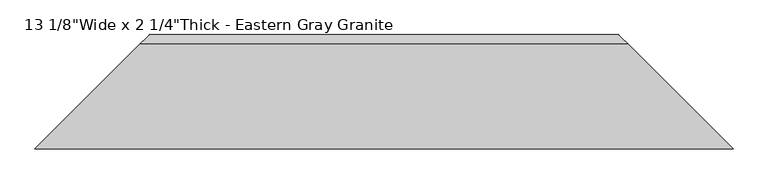
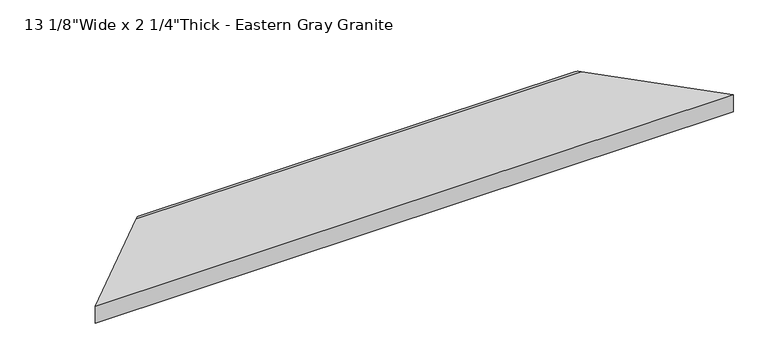
"""IFC4 building model written with IfcOpenShell, lengths in millimetres: proxy geometry."""

import ifcopenshell
import ifcopenshell.guid

model = None  # the IFC model being written
_history = None  # IfcOwnerHistory: only IFC2X3 demands one
_inside = {}  # id of a spatial element -> (the spatial element, [elements in it])
_under = {}  # id of a project, library or spatial element -> (it, [spatial elements below it])
_declared = {}  # id of a project -> (the project, [libraries it declares])
_typed = {}  # id of a type object -> (the type object, [elements of that type])
_made_of = {}  # id of a material, layer set ... -> (it, [elements and type objects made of it])


def new_model(schema):
    """Start an empty IFC model of exactly this schema.

    Asked for "IFC4X3", IfcOpenShell would pick the latest addendum, in which some entities
    have other attributes; the version numbers below select the first issue.
    IFC2X3 requires an IfcOwnerHistory on every rooted entity: one is made here for all.
    """
    global model, _history
    if schema == "IFC4X3":
        model = ifcopenshell.file(schema_version=(4, 3, 0, 0))
    else:
        model = ifcopenshell.file(schema=schema)
    _inside.clear()
    _under.clear()
    _declared.clear()
    _typed.clear()
    _made_of.clear()
    _history = None
    if model.schema == "IFC2X3":
        org = make("IfcOrganization", Name="unknown")
        user = make(
            "IfcPersonAndOrganization",
            ThePerson=make("IfcPerson", FamilyName="unknown"),
            TheOrganization=org,
        )
        app = make(
            "IfcApplication",
            ApplicationDeveloper=org,
            Version="unknown",
            ApplicationFullName="unknown",
            ApplicationIdentifier="unknown",
        )
        _history = make(
            "IfcOwnerHistory",
            OwningUser=user,
            OwningApplication=app,
            ChangeAction="ADDED",
            CreationDate=0,
        )
    return model


def make(cls, **values):
    """One entity of the class cls with the attributes given. An attribute that is None is left unset."""
    return model.create_entity(
        cls, **{name: value for name, value in values.items() if value is not None}
    )


def rooted(cls, **values):
    """An entity with a GlobalId (a new one), such as an element, a storey or a relation."""
    return make(cls, GlobalId=ifcopenshell.guid.new(), OwnerHistory=_history, **values)


def si_unit(unit_type, name, prefix=None):
    """IfcSIUnit, for example si_unit("LENGTHUNIT", "METRE", prefix="MILLI")."""
    return make("IfcSIUnit", UnitType=unit_type, Prefix=prefix, Name=name)


def assignment(units):
    """IfcUnitAssignment: the units of a project."""
    return None if units is None else make("IfcUnitAssignment", Units=units)


def point(xyz):
    """IfcCartesianPoint."""
    return None if xyz is None else make("IfcCartesianPoint", Coordinates=xyz)


def direction(xyz):
    """IfcDirection."""
    return None if xyz is None else make("IfcDirection", DirectionRatios=xyz)


def frame(location, z_axis=None, x_axis=None):
    """IfcAxis2Placement3D, a coordinate frame: its origin and axes. An axis left out is left unset."""
    return make(
        "IfcAxis2Placement3D",
        Location=point(location),
        Axis=direction(z_axis),
        RefDirection=direction(x_axis),
    )


def origin():
    """The frame at (0, 0, 0) with its axes left unset."""
    return frame((0.0, 0.0, 0.0))


def place(relative_to, where):
    """IfcLocalPlacement: puts the frame where relative to a parent placement (None: the world)."""
    return make(
        "IfcLocalPlacement", PlacementRelTo=relative_to, RelativePlacement=where
    )


def context(
    kind, dimensions, precision=None, world=None, true_north=None, identifier=None
):
    """IfcGeometricRepresentationContext, for example the 3D "Model" context."""
    return make(
        "IfcGeometricRepresentationContext",
        ContextIdentifier=identifier,
        ContextType=kind,
        CoordinateSpaceDimension=dimensions,
        Precision=precision,
        WorldCoordinateSystem=world,
        TrueNorth=true_north,
    )


def project(units=None, contexts=None):
    """IfcProject with its units and contexts."""
    return rooted(
        "IfcProject",
        Name="project",
        RepresentationContexts=contexts,
        UnitsInContext=assignment(units),
    )


def spatial(cls, under=None, at=None, **own):
    """A site, building, storey or space (cls), placed at a placement, below another one or the project."""
    s = rooted(cls, ObjectPlacement=at, **own)
    if under is not None:
        _under.setdefault(under.id(), (under, []))[1].append(s)
    return s


def ellipse_curve(where, semi_axis1, semi_axis2):
    """IfcEllipse in the frame where."""
    return make(
        "IfcEllipse", Position=where, SemiAxis1=semi_axis1, SemiAxis2=semi_axis2
    )


def shape(context_of_items, identifier, shape_type, items):
    """IfcShapeRepresentation: the items that make up one representation, for example the "Body"."""
    return make(
        "IfcShapeRepresentation",
        ContextOfItems=context_of_items,
        RepresentationIdentifier=identifier,
        RepresentationType=shape_type,
        Items=items,
    )


def source(mapping_origin, context_of_items, identifier, shape_type, items):
    """IfcRepresentationMap: a shape defined once, which mapped items show again and again."""
    return make(
        "IfcRepresentationMap",
        MappingOrigin=mapping_origin,
        MappedRepresentation=shape(context_of_items, identifier, shape_type, items),
    )


def transform(
    local_origin,
    x_axis=None,
    y_axis=None,
    z_axis=None,
    scale=None,
    scale2=None,
    scale3=None,
    uniform=True,
):
    """IfcCartesianTransformationOperator3D, or its non-uniform kind. x_axis, y_axis, z_axis: its Axis1, 2, 3."""
    if uniform:
        return make(
            "IfcCartesianTransformationOperator3D",
            Axis1=direction(x_axis),
            Axis2=direction(y_axis),
            LocalOrigin=point(local_origin),
            Scale=scale,
            Axis3=direction(z_axis),
        )
    return make(
        "IfcCartesianTransformationOperator3DnonUniform",
        Axis1=direction(x_axis),
        Axis2=direction(y_axis),
        LocalOrigin=point(local_origin),
        Scale=scale,
        Axis3=direction(z_axis),
        Scale2=scale2,
        Scale3=scale3,
    )


def mapped(mapping_source, mapping_target):
    """IfcMappedItem: shows the shape of a source again, moved by a transform."""
    return make(
        "IfcMappedItem", MappingSource=mapping_source, MappingTarget=mapping_target
    )


def made_of(thing, what):
    """Note that an element or type object is made of a material, layer set ...; save() writes the relation."""
    if what is not None:
        _made_of.setdefault(what.id(), (what, []))[1].append(thing)
    return thing


def element(
    cls,
    number,
    at=None,
    inside=None,
    cuts=None,
    type_object=None,
    material=None,
    context=None,
    identifier="Body",
    shape_type=None,
    held_by="IfcProductDefinitionShape",
    body=None,
    shapes=None,
    **own,
):
    """One element of the class cls, such as IfcWall. Its Tag is "e" and its number.

    at: its placement. inside: the storey or other place that contains it. cuts: it is an
    opening in that element (IfcRelVoidsElement). A single representation is given by context,
    identifier, shape_type and body (its items); several are given by shapes. held_by: the class
    of the entity that holds the representations. save() writes the other relations.
    """
    e = rooted(cls, Tag="e%d" % number, ObjectPlacement=at, **own)
    if body is not None:
        shapes = [shape(context, identifier, shape_type, body)]
    if shapes is not None:
        e.Representation = make(held_by, Representations=shapes)
    if inside is not None:
        _inside.setdefault(inside.id(), (inside, []))[1].append(e)
    if cuts is not None:
        rooted(
            "IfcRelVoidsElement", RelatingBuildingElement=cuts, RelatedOpeningElement=e
        )
    if type_object is not None:
        _typed.setdefault(type_object.id(), (type_object, []))[1].append(e)
    return made_of(e, material)


def aggregate(whole, parts):
    """IfcRelAggregates: a whole, such as a stair, and the parts it consists of."""
    return rooted("IfcRelAggregates", RelatingObject=whole, RelatedObjects=parts)


def save(model, path):
    """Write the relations noted so far, then the file.

    IfcRelAggregates (storeys below a building ...), IfcRelContainedInSpatialStructure (elements
    in a storey), IfcRelDefinesByType, IfcRelAssociatesMaterial and IfcRelDeclares: one each for
    every whole, place, type object, material and project.
    """
    for whole, parts in _under.values():
        aggregate(whole, parts)
    for where, things in _inside.values():
        rooted(
            "IfcRelContainedInSpatialStructure",
            RelatedElements=things,
            RelatingStructure=where,
        )
    for kind, things in _typed.values():
        rooted("IfcRelDefinesByType", RelatedObjects=things, RelatingType=kind)
    for what, things in _made_of.values():
        rooted("IfcRelAssociatesMaterial", RelatedObjects=things, RelatingMaterial=what)
    for by, libraries in _declared.values():
        rooted("IfcRelDeclares", RelatingContext=by, RelatedDefinitions=libraries)
    model.write(path)


def plane_surface(at):
    """IfcPlane: the flat surface through the origin of the frame at, square to its z axis."""
    return make("IfcPlane", Position=at)


def cylinder_surface(at, radius):
    """IfcCylindricalSurface: all points at the distance radius from the z axis of the frame at."""
    return make("IfcCylindricalSurface", Position=at, Radius=radius)


def advanced_brep(points, edges, surfaces, faces):
    """IfcAdvancedBrep: a solid bounded by faces that lie on surfaces and meet in shared edges.

    An edge is (start, end): straight between two places in points (the first is 0);
    or (start, end, curve); or (start, end, curve, False) where it runs against its curve.
    A face is (place in surfaces, loops), or (place, loops, False) where it looks against
    its surface's normal. A loop lists edges by number (the first is 1), with a minus sign
    where the edge is run from its end to its start. The first loop is the outer one.
    """
    corners = [point(p) for p in points]
    vertices = [make("IfcVertexPoint", VertexGeometry=c) for c in corners]
    made = []
    for start, end, *more in edges:
        made.append(
            make(
                "IfcEdgeCurve",
                EdgeStart=vertices[start],
                EdgeEnd=vertices[end],
                EdgeGeometry=more[0] if more else make("IfcPolyline", Points=[corners[start], corners[end]]),
                SameSense=more[1] if len(more) > 1 else True,
            )
        )
    hull = []
    for where, loops, *sense in faces:
        bounds = []
        for j, loop in enumerate(loops):
            ring = [make("IfcOrientedEdge", EdgeElement=made[abs(k) - 1], Orientation=k > 0) for k in loop]
            bounds.append(
                make(
                    "IfcFaceOuterBound" if j == 0 else "IfcFaceBound",
                    Bound=make("IfcEdgeLoop", EdgeList=ring),
                    Orientation=True,
                )
            )
        hull.append(make("IfcAdvancedFace", Bounds=bounds, FaceSurface=surfaces[where], SameSense=sense[0] if sense else True))
    return make("IfcAdvancedBrep", Outer=make("IfcClosedShell", CfsFaces=hull))


def proxy_343a399d(model_context):
    return source(origin(), model_context, "Body", "AdvancedBrep", [
        advanced_brep(
        [(307.18125, 307.18125, 57.15), (1724.81875, 307.18125, 57.15), (1724.81875, 307.18125, 0.0), (307.18125, 307.18125, 0.0), (2032.0, 0.0, 57.15), (0.0, 0.0, 57.15), (0.0, 0.0, 0.0), (2032.0, 0.0, 0.0)],
        [
            (0, 1),
            (1, 2, ellipse_curve(frame((1727.3187386, 304.6812614, 28.575), z_axis=(-0.7071067811864425, -0.7071067811866526, 0.0), x_axis=(-0.7071067811866525, 0.7071067811864425, 0.0)), 40.5655166, 28.6841519)),
            (2, 3),
            (3, 0, ellipse_curve(frame((304.6812614, 304.6812614, 28.575), z_axis=(0.7071067811865491, -0.7071067811865459, 0.0), x_axis=(-0.7071067811865459, -0.707106781186549, 0.0)), 40.5655166, 28.6841519)),
            (4, 1),
            (0, 5),
            (5, 4),
            (5, 6),
            (6, 7),
            (7, 4),
            (6, 3),
            (2, 7),
        ],
        [
            cylinder_surface(frame((2032.0, 304.6812614, 28.575), z_axis=(-1.0, 0.0, 0.0), x_axis=(0.0, 1.0, 0.0)), 28.6841519),
            plane_surface(frame((0.0, 307.18125, 57.15), z_axis=(0.0, 0.0, 1.0), x_axis=(1.0, 0.0, 0.0))),
            plane_surface(frame((0.0, 0.0, 57.15), z_axis=(0.0, -1.0, 0.0), x_axis=(1.0, 0.0, 0.0))),
            plane_surface(frame((0.0, 0.0, 0.0), z_axis=(0.0, 0.0, -1.0), x_axis=(1.0, 0.0, 0.0))),
            plane_surface(frame((342.9, 342.9, 76.2), z_axis=(-0.7071067811865491, 0.7071067811865459, 0.0), x_axis=(0.0, 0.0, -1.0))),
            plane_surface(frame((2032.0, 0.0, 76.2), z_axis=(0.7071067811864425, 0.7071067811866526, 0.0), x_axis=(0.0, 0.0, -1.0))),
        ],
        [
            (0, [[1, 2, 3, 4]]),
            (1, [[5, -1, 6, 7]]),
            (2, [[8, 9, 10, -7]]),
            (3, [[11, -3, 12, -9]]),
            (4, [[-11, -8, -6, -4]]),
            (5, [[-5, -10, -12, -2]]),
        ],
    ),
    ])


if __name__ == "__main__":
    model = new_model("IFC4")
    model_context = context("Model", 3, world=origin())
    ifc_project = project(units=[si_unit("LENGTHUNIT", "METRE", prefix="MILLI")], contexts=[model_context])
    site = spatial("IfcSite", under=ifc_project)
    building = spatial("IfcBuilding", under=site)
    placement = place(None, origin())
    proxy_shape = proxy_343a399d(model_context)
    element("IfcBuildingElementProxy", 1, Name="13 1/8\"Wide x 2 1/4\"Thick - Eastern Gray Granite", ObjectType="13 1/8\"Wide x 2 1/4\"Thick - Eastern Gray Granite", at=placement, inside=building, context=model_context, shape_type="MappedRepresentation", body=[
        mapped(proxy_shape, transform((0.0, 0.0, 0.0), x_axis=(1.0, 0.0, 0.0), y_axis=(0.0, 1.0, 0.0), z_axis=(0.0, 0.0, 1.0))),
    ])
    save(model, "model.ifc")
